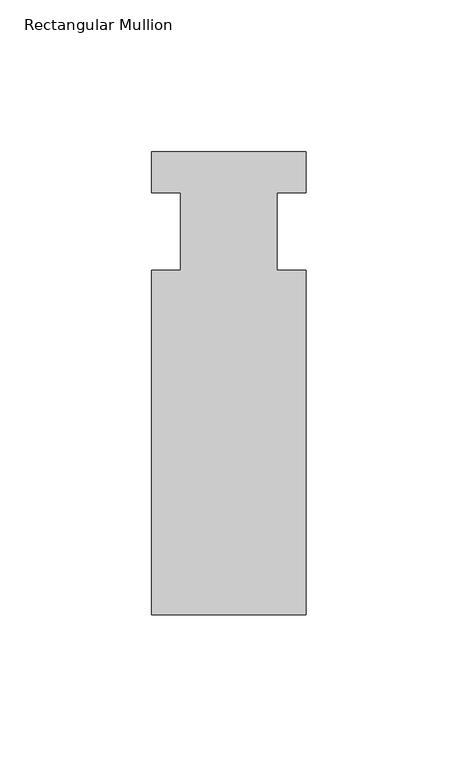
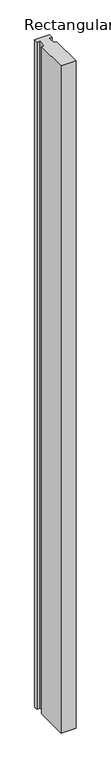
"""IFC4 building model written with IfcOpenShell, lengths in millimetres: member geometry, Rectangular Mullion."""

from ifc_helpers import new_model, si_unit, frame, origin, place, context, project, spatial, polyline, outline, extrude, source, transform, mapped, element, save


def rectangular_mullion_602de414(model_context):
    return source(origin(), model_context, "Body", "SweptSolid", [
        extrude(outline(polyline([(-25.4, 26.19375), (25.4, 26.19375), (25.4, 12.7), (15.875, 12.7), (15.875, -12.7), (25.4, -12.7), (25.4, -126.20625), (-25.4, -126.20625), (-25.4, -12.7), (-15.875, -12.7), (-15.875, 12.7), (-25.4, 12.7), (-25.4, 26.19375)])), frame((0.0, 0.0, -2374.9), z_axis=(0.0, 0.0, 1.0), x_axis=(1.0, 0.0, 0.0)), (0.0, 0.0, 1.0), 2374.9),
    ])


if __name__ == "__main__":
    model = new_model("IFC4")
    model_context = context("Model", 3, world=origin())
    ifc_project = project(units=[si_unit("LENGTHUNIT", "METRE", prefix="MILLI")], contexts=[model_context])
    site = spatial("IfcSite", under=ifc_project)
    building = spatial("IfcBuilding", under=site)
    placement = place(None, origin())
    rectangular_mullion_shape = rectangular_mullion_602de414(model_context)
    element("IfcMember", 1, ObjectType="Rectangular Mullion", at=placement, inside=building, context=model_context, shape_type="MappedRepresentation", body=[
        mapped(rectangular_mullion_shape, transform((0.0, 0.0, 0.0), x_axis=(1.0, 0.0, 0.0), y_axis=(0.0, 1.0, 0.0), z_axis=(0.0, 0.0, 1.0))),
    ])
    save(model, "model.ifc")
